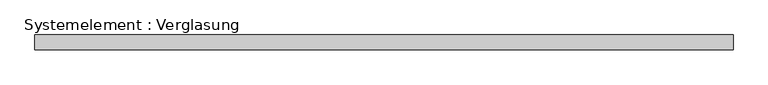
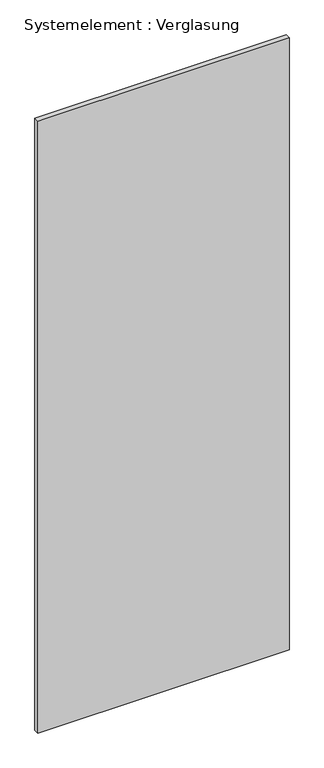
"""IFC4 building model written with IfcOpenShell, lengths in millimetres: plate geometry, Systemelement : Verglasung."""

from ifc_helpers import new_model, si_unit, origin, origin_with_axes, place, context, project, spatial, polyline, outline, extrude, source, transform, mapped, element, save


def systemelement_verglasung_021e5865(model_context):
    return source(origin(), model_context, "Body", "SweptSolid", [
        extrude(outline(polyline([(707.3201191, -15.0), (-707.3201191, -15.0), (-707.3201191, 15.0), (707.3201191, 15.0), (707.3201191, -15.0)])), origin_with_axes(), (0.0, 0.0, 1.0), 3645.0),
    ])


if __name__ == "__main__":
    model = new_model("IFC4")
    model_context = context("Model", 3, world=origin())
    ifc_project = project(units=[si_unit("LENGTHUNIT", "METRE", prefix="MILLI")], contexts=[model_context])
    site = spatial("IfcSite", under=ifc_project)
    building = spatial("IfcBuilding", under=site)
    placement = place(None, origin())
    systemelement_verglasung_shape = systemelement_verglasung_021e5865(model_context)
    element("IfcPlate", 1, ObjectType="Systemelement : Verglasung", at=placement, inside=building, context=model_context, shape_type="MappedRepresentation", body=[
        mapped(systemelement_verglasung_shape, transform((0.0, 0.0, 0.0), x_axis=(1.0, 0.0, 0.0), y_axis=(0.0, 1.0, 0.0), z_axis=(0.0, 0.0, 1.0))),
    ])
    save(model, "model.ifc")
